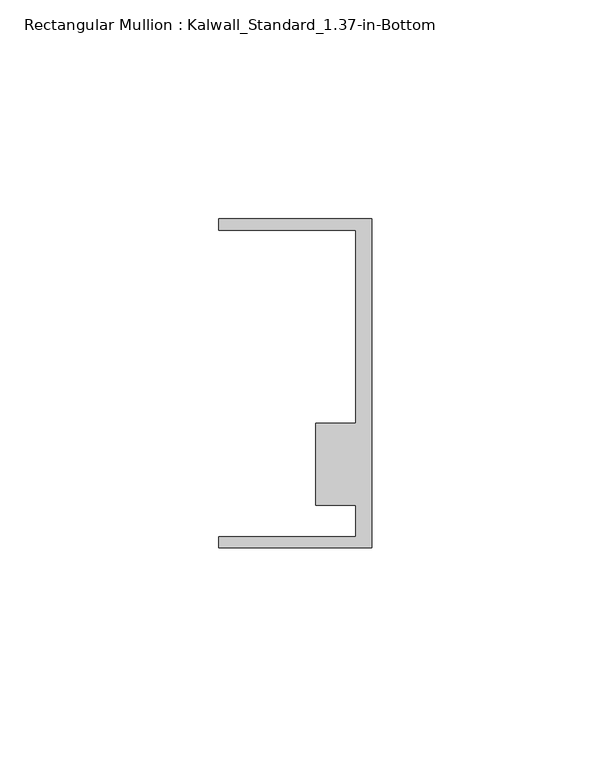
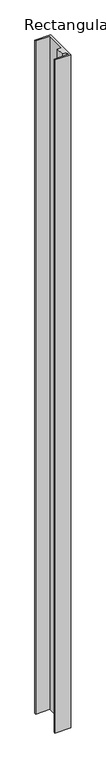
"""IFC4 building model written with IfcOpenShell, lengths in millimetres: member geometry, Rectangular Mullion : Kalwall_Standard_1.37-in-Bottom."""

from ifc_helpers import new_model, si_unit, frame, origin, place, context, project, spatial, polyline, outline, extrude, source, transform, mapped, element, save


def rectangular_mullion_kalwall_standard_1_37_in_bottom_63cc16ac(model_context):
    return source(origin(), model_context, "Body", "SweptSolid", [
        extrude(outline(polyline([(0.0, -37.5776386), (-34.925, -37.5776386), (-34.925, -35.0376386), (-3.7084, -35.0376386), (-3.7084, -27.8888568), (-12.8272539, -27.8888568), (-12.8272539, -9.1879886), (-3.7084, -9.1879886), (-3.7084, 34.9623614), (-34.925, 34.9623614), (-34.925, 37.5023614), (0.0, 37.5023614), (0.0, -37.5776386)])), frame((0.0, 0.0, -1560.5770003), z_axis=(0.0, 0.0, 1.0), x_axis=(1.0, 0.0, 0.0)), (0.0, 0.0, 1.0), 1560.5770003),
    ])


if __name__ == "__main__":
    model = new_model("IFC4")
    model_context = context("Model", 3, world=origin())
    ifc_project = project(units=[si_unit("LENGTHUNIT", "METRE", prefix="MILLI")], contexts=[model_context])
    site = spatial("IfcSite", under=ifc_project)
    building = spatial("IfcBuilding", under=site)
    placement = place(None, origin())
    rectangular_mullion_kalwall_standard_1_37_in_bottom_shape = rectangular_mullion_kalwall_standard_1_37_in_bottom_63cc16ac(model_context)
    element("IfcMember", 1, ObjectType="Rectangular Mullion : Kalwall_Standard_1.37-in-Bottom", at=placement, inside=building, context=model_context, shape_type="MappedRepresentation", body=[
        mapped(rectangular_mullion_kalwall_standard_1_37_in_bottom_shape, transform((0.0, 0.0, 0.0), x_axis=(1.0, 0.0, 0.0), y_axis=(0.0, 1.0, 0.0), z_axis=(0.0, 0.0, 1.0))),
    ])
    save(model, "model.ifc")
